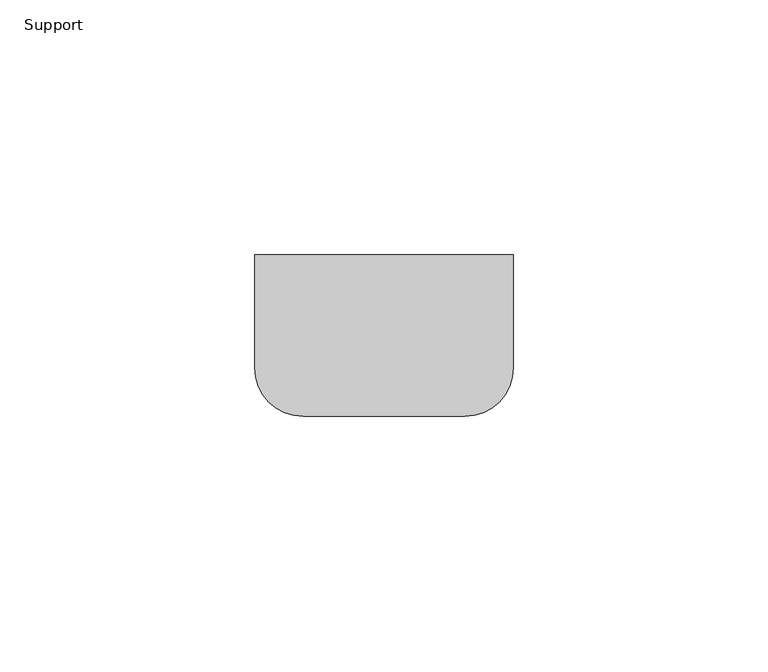
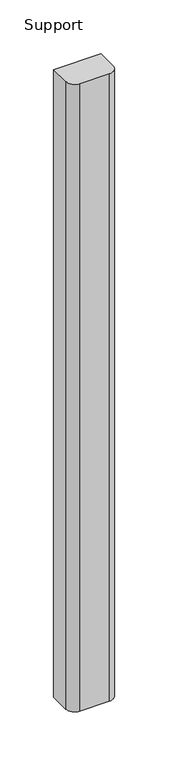
"""IFC4 building model written with IfcOpenShell, lengths in millimetres: furniture geometry, Support."""

from ifc_helpers import new_model, si_unit, point, frame_2d, origin, origin_with_axes, place, context, project, spatial, polyline, circle_curve, trimmed, segment, composite_curve, outline, extrude, source, transform, mapped, element, save


def support_f6920b21(model_context):
    return source(origin(), model_context, "Body", "SweptSolid", [
        extrude(outline(composite_curve([segment(polyline([(241.3, -261.6659766), (241.3, -283.8909766)]), True, "CONTINUOUS"), segment(trimmed(circle_curve(frame_2d((231.775, -283.8909766)), 9.525), [point((241.3, -283.8909766))], [point((231.775, -293.4159766))], False, "CARTESIAN"), True, "CONTINUOUS"), segment(polyline([(231.775, -293.4159766), (200.025, -293.4159766)]), True, "CONTINUOUS"), segment(trimmed(circle_curve(frame_2d((200.025, -283.8909766)), 9.525), [point((200.025, -293.4159766))], [point((190.5, -283.8909766))], False, "CARTESIAN"), True, "CONTINUOUS"), segment(polyline([(190.5, -283.8909766), (190.5, -261.6659766), (241.3, -261.6659766)]), True, "CONTINUOUS")], self_intersect=False)), origin_with_axes(), (0.0, 0.0, 1.0), 711.2),
    ])


if __name__ == "__main__":
    model = new_model("IFC4")
    model_context = context("Model", 3, world=origin())
    ifc_project = project(units=[si_unit("LENGTHUNIT", "METRE", prefix="MILLI")], contexts=[model_context])
    site = spatial("IfcSite", under=ifc_project)
    building = spatial("IfcBuilding", under=site)
    placement = place(None, origin())
    support_shape = support_f6920b21(model_context)
    element("IfcFurniture", 1, ObjectType="Support", at=placement, inside=building, context=model_context, shape_type="MappedRepresentation", body=[
        mapped(support_shape, transform((0.0, 0.0, 0.0), x_axis=(1.0, 0.0, 0.0), y_axis=(0.0, 1.0, 0.0), z_axis=(0.0, 0.0, 1.0))),
    ])
    save(model, "model.ifc")
